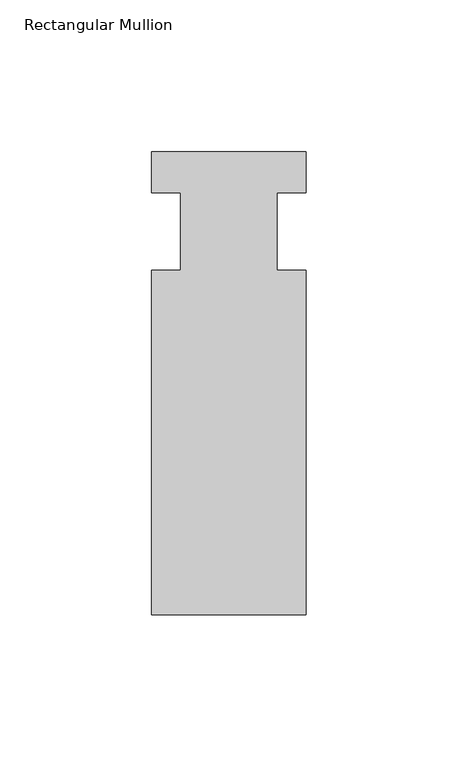
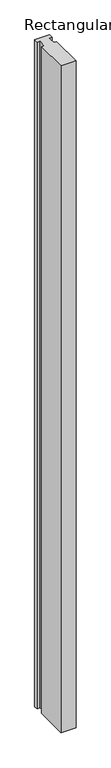
"""IFC4 building model written with IfcOpenShell, lengths in millimetres: member geometry, Rectangular Mullion."""

from ifc_helpers import new_model, si_unit, frame, origin, place, context, project, spatial, polyline, outline, extrude, source, transform, mapped, element, save


def rectangular_mullion_0de407bc(model_context):
    return source(origin(), model_context, "Body", "SweptSolid", [
        extrude(outline(polyline([(-25.4, 26.19375), (25.4, 26.19375), (25.4, 12.7), (15.875, 12.7), (15.875, -12.7), (25.4, -12.7), (25.4, -126.20625), (-25.4, -126.20625), (-25.4, -12.7), (-15.875, -12.7), (-15.875, 12.7), (-25.4, 12.7), (-25.4, 26.19375)])), frame((0.0, 0.0, -2374.8923531), z_axis=(0.0, 0.0, 1.0), x_axis=(1.0, 0.0, 0.0)), (0.0, 0.0, 1.0), 2374.8923531),
    ])


if __name__ == "__main__":
    model = new_model("IFC4")
    model_context = context("Model", 3, world=origin())
    ifc_project = project(units=[si_unit("LENGTHUNIT", "METRE", prefix="MILLI")], contexts=[model_context])
    site = spatial("IfcSite", under=ifc_project)
    building = spatial("IfcBuilding", under=site)
    placement = place(None, origin())
    rectangular_mullion_shape = rectangular_mullion_0de407bc(model_context)
    element("IfcMember", 1, ObjectType="Rectangular Mullion", at=placement, inside=building, context=model_context, shape_type="MappedRepresentation", body=[
        mapped(rectangular_mullion_shape, transform((0.0, 0.0, 0.0), x_axis=(1.0, 0.0, 0.0), y_axis=(0.0, 1.0, 0.0), z_axis=(0.0, 0.0, 1.0))),
    ])
    save(model, "model.ifc")
